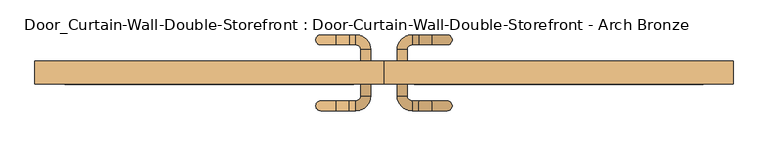
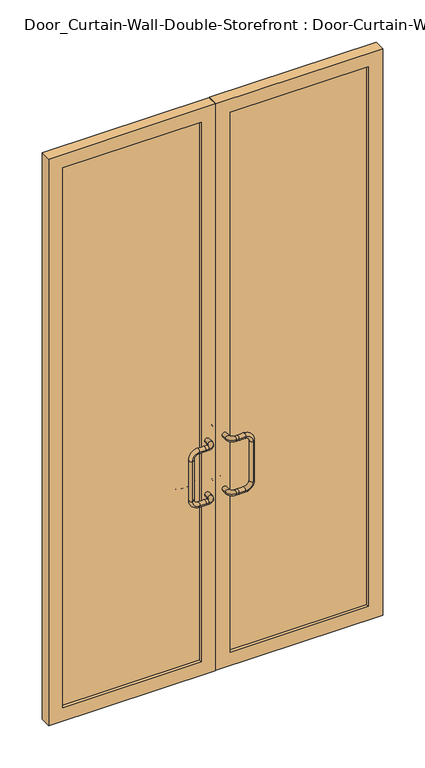
"""IFC4 building model written with IfcOpenShell, lengths in millimetres: door geometry, Door_Curtain-Wall-Double-Storefront : Door-Curtain-Wall-Double-Storefront - Arch Bronze."""

from ifc_helpers import new_model, si_unit, point, frame, origin, place, context, project, spatial, polyline, circle_curve, ellipse_curve, trimmed, outline, extrude, source, transform, mapped, element, save
from ifc_brep_helpers import plane_surface, cylinder_surface, revolved_surface, advanced_brep


def door_curtain_wall_double_storefront_door_curtain_wall_double_d53ad36a(model_context):
    return source(origin(), model_context, "Body", "SolidModel", [
        extrude(outline(polyline([(2406.65, 0.7668501), (0.0, 0.7668501), (0.0, 670.7187499), (2406.65, 670.7187499), (2406.65, 0.7668501)]), holes=[polyline([(2349.5, 57.9168501), (2349.5, 613.5687499), (57.15, 613.5687499), (57.15, 57.9168501), (2349.5, 57.9168501)])]), frame((0.0, 12.7, 0.0), z_axis=(0.0, 1.0, 0.0), x_axis=(0.0, 0.0, 1.0)), (0.0, 0.0, 1.0), 44.45),
        extrude(outline(polyline([(2406.65, -0.8206499), (2406.65, -670.7187499), (0.0, -670.7187499), (0.0, -0.8206499), (2406.65, -0.8206499)]), holes=[polyline([(2349.5, -613.5687499), (2349.5, -57.9706499), (57.15, -57.9706499), (57.15, -613.5687499), (2349.5, -613.5687499)])]), frame((0.0, 12.7, 0.0), z_axis=(0.0, 1.0, 0.0), x_axis=(0.0, 0.0, 1.0)), (0.0, 0.0, 1.0), 44.45),
        extrude(outline(polyline([(613.5687499, 25.4), (57.9168501, 25.4), (57.9168501, 44.45), (613.5687499, 44.45), (613.5687499, 25.4)])), frame((0.0, 0.0, 57.15), z_axis=(0.0, 0.0, 1.0), x_axis=(1.0, 0.0, 0.0)), (0.0, 0.0, 1.0), 2292.35),
        extrude(outline(polyline([(-57.9706499, 25.4), (-613.5687499, 25.4), (-613.5687499, 44.45), (-57.9706499, 44.45), (-57.9706499, 25.4)])), frame((0.0, 0.0, 57.15), z_axis=(0.0, 0.0, 1.0), x_axis=(1.0, 0.0, 0.0)), (0.0, 0.0, 1.0), 2292.35),
        advanced_brep(
        [(-25.4268999, 57.15, 762.0), (-44.4768999, 57.15, 762.0), (-44.4768999, 79.375, 762.0), (-25.4268999, 79.375, 762.0), (-54.0018999, 88.9, 762.0), (-54.0018999, 107.95, 762.0), (-66.7018999, 88.9, 762.0), (-66.7018999, 107.95, 762.0), (-66.7018999, 88.9, 990.6), (-92.1018999, 88.9, 990.6), (-92.1018999, 107.95, 990.6), (-66.7018999, 107.95, 990.6), (-121.4706499, 88.9, 961.23125), (-121.4706499, 107.95, 961.23125), (-121.4706499, 88.9, 791.36875), (-121.4706499, 107.95, 791.36875), (-92.1018999, 88.9, 762.0), (-92.1018999, 107.95, 762.0), (-25.4268999, 57.15, 990.6), (-44.4768999, 57.15, 990.6), (-44.4768999, 79.375, 990.6), (-25.4268999, 79.375, 990.6), (-54.0018999, 88.9, 990.6), (-54.0018999, 107.95, 990.6)],
        [
            (0, 1, circle_curve(frame((-34.9518999, 57.15, 762.0), z_axis=(0.0, -1.0, 0.0), x_axis=(-1.0, 0.0, 0.0)), 9.525)),
            (1, 0, circle_curve(frame((-34.9518999, 57.15, 762.0), z_axis=(0.0, -1.0, 0.0), x_axis=(-1.0, 0.0, 0.0)), 9.525)),
            (1, 2),
            (2, 3, circle_curve(frame((-34.9518999, 79.375, 762.0), z_axis=(0.0, -1.0, 0.0), x_axis=(-1.0, 0.0, 0.0)), 9.525)),
            (3, 0),
            (3, 2, circle_curve(frame((-34.9518999, 79.375, 762.0), z_axis=(0.0, -1.0, 0.0), x_axis=(-1.0, 0.0, 0.0)), 9.525)),
            (2, 4, circle_curve(frame((-54.0018999, 79.375, 762.0), z_axis=(0.0, 0.0, 1.0), x_axis=(1.0, 0.0, 0.0)), 9.525)),
            (4, 5, circle_curve(frame((-54.0018999, 98.425, 762.0), z_axis=(1.0, 0.0, 0.0), x_axis=(0.0, -1.0, 0.0)), 9.525)),
            (5, 3, circle_curve(frame((-54.0018999, 79.375, 762.0), z_axis=(0.0, 0.0, -1.0), x_axis=(1.0, 0.0, 0.0)), 28.575)),
            (5, 4, circle_curve(frame((-54.0018999, 98.425, 762.0), z_axis=(1.0, 0.0, 0.0), x_axis=(0.0, -1.0, 0.0)), 9.525)),
            (4, 6),
            (6, 7, circle_curve(frame((-66.7018999, 98.425, 762.0), z_axis=(1.0, 0.0, 0.0), x_axis=(0.0, -1.0, 0.0)), 9.525)),
            (7, 5),
            (7, 6, circle_curve(frame((-66.7018999, 98.425, 762.0), z_axis=(1.0, 0.0, 0.0), x_axis=(0.0, -1.0, 0.0)), 9.525)),
            (8, 9),
            (9, 10, circle_curve(frame((-92.1018999, 98.425, 990.6), z_axis=(1.0, 0.0, 0.0), x_axis=(0.0, 0.0, 1.0)), 9.525)),
            (10, 11),
            (11, 8, circle_curve(frame((-66.7018999, 98.425, 990.6), z_axis=(-1.0, 0.0, 0.0), x_axis=(0.0, 0.0, 1.0)), 9.525)),
            (8, 11, circle_curve(frame((-66.7018999, 98.425, 990.6), z_axis=(-1.0, 0.0, 0.0), x_axis=(0.0, 0.0, 1.0)), 9.525)),
            (10, 9, circle_curve(frame((-92.1018999, 98.425, 990.6), z_axis=(1.0, 0.0, 0.0), x_axis=(0.0, 0.0, 1.0)), 9.525)),
            (9, 12, circle_curve(frame((-92.1018999, 88.9, 961.23125), z_axis=(0.0, -1.0, 0.0), x_axis=(0.0, 0.0, 1.0)), 29.36875)),
            (12, 13, circle_curve(frame((-121.4706499, 98.425, 961.23125), z_axis=(0.0, 0.0, 1.0), x_axis=(-1.0, 0.0, 0.0)), 9.525)),
            (13, 10, circle_curve(frame((-92.1018999, 107.95, 961.23125), z_axis=(0.0, 1.0, 0.0), x_axis=(0.0, 0.0, 1.0)), 29.36875)),
            (13, 12, circle_curve(frame((-121.4706499, 98.425, 961.23125), z_axis=(0.0, 0.0, 1.0), x_axis=(-1.0, 0.0, 0.0)), 9.525)),
            (12, 14),
            (14, 15, circle_curve(frame((-121.4706499, 98.425, 791.36875), z_axis=(0.0, 0.0, 1.0), x_axis=(-1.0, 0.0, 0.0)), 9.525)),
            (15, 13),
            (15, 14, circle_curve(frame((-121.4706499, 98.425, 791.36875), z_axis=(0.0, 0.0, 1.0), x_axis=(-1.0, 0.0, 0.0)), 9.525)),
            (14, 16, circle_curve(frame((-92.1018999, 88.9, 791.36875), z_axis=(0.0, -1.0, 0.0), x_axis=(-1.0, 0.0, 0.0)), 29.36875)),
            (16, 17, circle_curve(frame((-92.1018999, 98.425, 762.0), z_axis=(-1.0, 0.0, 0.0), x_axis=(0.0, 0.0, -1.0)), 9.525)),
            (17, 15, circle_curve(frame((-92.1018999, 107.95, 791.36875), z_axis=(0.0, 1.0, 0.0), x_axis=(-1.0, 0.0, 0.0)), 29.36875)),
            (17, 16, circle_curve(frame((-92.1018999, 98.425, 762.0), z_axis=(-1.0, 0.0, 0.0), x_axis=(0.0, 0.0, -1.0)), 9.525)),
            (16, 6),
            (7, 17),
            (18, 19, circle_curve(frame((-34.9518999, 57.15, 990.6), z_axis=(0.0, -1.0, 0.0), x_axis=(-1.0, 0.0, 0.0)), 9.525)),
            (19, 18, circle_curve(frame((-34.9518999, 57.15, 990.6), z_axis=(0.0, -1.0, 0.0), x_axis=(-1.0, 0.0, 0.0)), 9.525)),
            (19, 20),
            (20, 21, circle_curve(frame((-34.9518999, 79.375, 990.6), z_axis=(0.0, -1.0, 0.0), x_axis=(-1.0, 0.0, 0.0)), 9.525)),
            (21, 18),
            (21, 20, circle_curve(frame((-34.9518999, 79.375, 990.6), z_axis=(0.0, -1.0, 0.0), x_axis=(-1.0, 0.0, 0.0)), 9.525)),
            (20, 22, circle_curve(frame((-54.0018999, 79.375, 990.6), z_axis=(0.0, 0.0, 1.0), x_axis=(1.0, 0.0, 0.0)), 9.525)),
            (22, 23, circle_curve(frame((-54.0018999, 98.425, 990.6), z_axis=(1.0, 0.0, 0.0), x_axis=(0.0, -1.0, 0.0)), 9.525)),
            (23, 21, circle_curve(frame((-54.0018999, 79.375, 990.6), z_axis=(0.0, 0.0, -1.0), x_axis=(1.0, 0.0, 0.0)), 28.575)),
            (23, 22, circle_curve(frame((-54.0018999, 98.425, 990.6), z_axis=(1.0, 0.0, 0.0), x_axis=(0.0, -1.0, 0.0)), 9.525)),
            (22, 8),
            (11, 23),
        ],
        [
            plane_surface(frame((-34.9518999, 57.15, 762.0), z_axis=(0.0, -1.0, 0.0), x_axis=(0.0, 0.0, 1.0))),
            cylinder_surface(frame((-34.9518999, 57.15, 762.0), z_axis=(0.0, -1.0, 0.0), x_axis=(-1.0, 0.0, 0.0)), 9.525),
            revolved_surface(trimmed(ellipse_curve(frame((-34.9518999, 79.375, 762.0), z_axis=(0.0, -1.0, 0.0), x_axis=(-1.0, 0.0, 0.0)), 9.525, 9.525), [point((-44.4768999, 79.375, 762.0))], [point((-25.4268999, 79.375, 762.0))], True, "CARTESIAN"), (-54.0018999, 79.375, 762.0), (0.0, 0.0, 1.0)),
            revolved_surface(trimmed(ellipse_curve(frame((-34.9518999, 79.375, 762.0), z_axis=(0.0, -1.0, 0.0), x_axis=(-1.0, 0.0, 0.0)), 9.525, 9.525), [point((-25.4268999, 79.375, 762.0))], [point((-44.4768999, 79.375, 762.0))], True, "CARTESIAN"), (-54.0018999, 79.375, 762.0), (0.0, 0.0, 1.0)),
            cylinder_surface(frame((-54.0018999, 98.425, 762.0), z_axis=(1.0, 0.0, 0.0), x_axis=(0.0, -1.0, 0.0)), 9.525),
            cylinder_surface(frame((-66.7018999, 98.425, 990.6), z_axis=(1.0, 0.0, 0.0), x_axis=(0.0, 0.0, 1.0)), 9.525),
            revolved_surface(trimmed(ellipse_curve(frame((-92.1018999, 98.425, 990.6), z_axis=(1.0, 0.0, 0.0), x_axis=(0.0, 0.0, 1.0)), 9.525, 9.525), [point((-92.1018999, 88.9, 990.6))], [point((-92.1018999, 107.95, 990.6))], True, "CARTESIAN"), (-92.1018999, 98.425, 961.23125), (0.0, -1.0, 0.0)),
            revolved_surface(trimmed(ellipse_curve(frame((-92.1018999, 98.425, 990.6), z_axis=(1.0, 0.0, 0.0), x_axis=(0.0, 0.0, 1.0)), 9.525, 9.525), [point((-92.1018999, 107.95, 990.6))], [point((-92.1018999, 88.9, 990.6))], True, "CARTESIAN"), (-92.1018999, 98.425, 961.23125), (0.0, -1.0, 0.0)),
            cylinder_surface(frame((-121.4706499, 98.425, 961.23125), z_axis=(0.0, 0.0, 1.0), x_axis=(-1.0, 0.0, 0.0)), 9.525),
            revolved_surface(trimmed(ellipse_curve(frame((-121.4706499, 98.425, 791.36875), z_axis=(0.0, 0.0, 1.0), x_axis=(-1.0, 0.0, 0.0)), 9.525, 9.525), [point((-121.4706499, 88.9, 791.36875))], [point((-121.4706499, 107.95, 791.36875))], True, "CARTESIAN"), (-92.1018999, 98.425, 791.36875), (0.0, -1.0, 0.0)),
            revolved_surface(trimmed(ellipse_curve(frame((-121.4706499, 98.425, 791.36875), z_axis=(0.0, 0.0, 1.0), x_axis=(-1.0, 0.0, 0.0)), 9.525, 9.525), [point((-121.4706499, 107.95, 791.36875))], [point((-121.4706499, 88.9, 791.36875))], True, "CARTESIAN"), (-92.1018999, 98.425, 791.36875), (0.0, -1.0, 0.0)),
            cylinder_surface(frame((-92.1018999, 98.425, 762.0), z_axis=(-1.0, 0.0, 0.0), x_axis=(0.0, 0.0, -1.0)), 9.525),
            plane_surface(frame((-34.9518999, 57.15, 990.6), z_axis=(0.0, -1.0, 0.0), x_axis=(0.0, 0.0, 1.0))),
            cylinder_surface(frame((-34.9518999, 57.15, 990.6), z_axis=(0.0, -1.0, 0.0), x_axis=(-1.0, 0.0, 0.0)), 9.525),
            revolved_surface(trimmed(ellipse_curve(frame((-34.9518999, 79.375, 990.6), z_axis=(0.0, -1.0, 0.0), x_axis=(-1.0, 0.0, 0.0)), 9.525, 9.525), [point((-44.4768999, 79.375, 990.6))], [point((-25.4268999, 79.375, 990.6))], True, "CARTESIAN"), (-54.0018999, 79.375, 990.6), (0.0, 0.0, 1.0)),
            revolved_surface(trimmed(ellipse_curve(frame((-34.9518999, 79.375, 990.6), z_axis=(0.0, -1.0, 0.0), x_axis=(-1.0, 0.0, 0.0)), 9.525, 9.525), [point((-25.4268999, 79.375, 990.6))], [point((-44.4768999, 79.375, 990.6))], True, "CARTESIAN"), (-54.0018999, 79.375, 990.6), (0.0, 0.0, 1.0)),
            cylinder_surface(frame((-54.0018999, 98.425, 990.6), z_axis=(1.0, 0.0, 0.0), x_axis=(0.0, -1.0, 0.0)), 9.525),
        ],
        [
            (0, [[1, 2]]),
            (1, [[-2, 3, 4, 5]]),
            (1, [[-1, -5, 6, -3]]),
            (2, [[-4, 7, 8, 9]]),
            (3, [[-6, -9, 10, -7]]),
            (4, [[-8, 11, 12, 13]]),
            (4, [[-10, -13, 14, -11]]),
            (5, [[15, 16, 17, 18]]),
            (5, [[-15, 19, -17, 20]]),
            (6, [[-16, 21, 22, 23]]),
            (7, [[-20, -23, 24, -21]]),
            (8, [[-22, 25, 26, 27]]),
            (8, [[-24, -27, 28, -25]]),
            (9, [[-26, 29, 30, 31]]),
            (10, [[-28, -31, 32, -29]]),
            (11, [[-30, 33, -14, 34]]),
            (11, [[-32, -34, -12, -33]]),
            (12, [[35, 36]]),
            (13, [[-36, 37, 38, 39]]),
            (13, [[-35, -39, 40, -37]]),
            (14, [[-38, 41, 42, 43]]),
            (15, [[-40, -43, 44, -41]]),
            (16, [[-42, 45, -18, 46]]),
            (16, [[-44, -46, -19, -45]]),
        ],
    ),
        advanced_brep(
        [(44.4231001, 57.15, 990.6), (25.3731001, 57.15, 990.6), (44.4231001, 79.375, 990.6), (25.3731001, 79.375, 990.6), (53.9481001, 88.9, 990.6), (53.9481001, 107.95, 990.6), (66.6481001, 88.9, 990.6), (66.6481001, 107.95, 990.6), (92.0481001, 107.95, 990.6), (92.0481001, 88.9, 990.6), (121.4168501, 107.95, 961.23125), (121.4168501, 88.9, 961.23125), (121.4168501, 107.95, 791.36875), (121.4168501, 88.9, 791.36875), (92.0481001, 107.95, 762.0), (92.0481001, 88.9, 762.0), (66.6481001, 107.95, 762.0), (66.6481001, 88.9, 762.0), (44.4231001, 57.15, 762.0), (25.3731001, 57.15, 762.0), (44.4231001, 79.375, 762.0), (25.3731001, 79.375, 762.0), (53.9481001, 88.9, 762.0), (53.9481001, 107.95, 762.0)],
        [
            (0, 1, circle_curve(frame((34.8981001, 57.15, 990.6), z_axis=(0.0, -1.0, 0.0), x_axis=(-1.0, 0.0, 0.0)), 9.525)),
            (1, 0, circle_curve(frame((34.8981001, 57.15, 990.6), z_axis=(0.0, -1.0, 0.0), x_axis=(-1.0, 0.0, 0.0)), 9.525)),
            (0, 2),
            (2, 3, circle_curve(frame((34.8981001, 79.375, 990.6), z_axis=(0.0, -1.0, 0.0), x_axis=(-1.0, 0.0, 0.0)), 9.525)),
            (3, 1),
            (3, 2, circle_curve(frame((34.8981001, 79.375, 990.6), z_axis=(0.0, -1.0, 0.0), x_axis=(-1.0, 0.0, 0.0)), 9.525)),
            (2, 4, circle_curve(frame((53.9481001, 79.375, 990.6), z_axis=(0.0, 0.0, -1.0), x_axis=(-1.0, 0.0, 0.0)), 9.525)),
            (4, 5, circle_curve(frame((53.9481001, 98.425, 990.6), z_axis=(-1.0, 0.0, 0.0), x_axis=(0.0, 1.0, 0.0)), 9.525)),
            (5, 3, circle_curve(frame((53.9481001, 79.375, 990.6), z_axis=(0.0, 0.0, 1.0), x_axis=(-1.0, 0.0, 0.0)), 28.575)),
            (5, 4, circle_curve(frame((53.9481001, 98.425, 990.6), z_axis=(-1.0, 0.0, 0.0), x_axis=(0.0, 1.0, 0.0)), 9.525)),
            (4, 6),
            (6, 7, circle_curve(frame((66.6481001, 98.425, 990.6), z_axis=(-1.0, 0.0, 0.0), x_axis=(0.0, 1.0, 0.0)), 9.525)),
            (7, 5),
            (7, 6, circle_curve(frame((66.6481001, 98.425, 990.6), z_axis=(-1.0, 0.0, 0.0), x_axis=(0.0, 1.0, 0.0)), 9.525)),
            (7, 8),
            (8, 9, circle_curve(frame((92.0481001, 98.425, 990.6), z_axis=(-1.0, 0.0, 0.0), x_axis=(0.0, 0.0, -1.0)), 9.525)),
            (9, 6),
            (9, 8, circle_curve(frame((92.0481001, 98.425, 990.6), z_axis=(-1.0, 0.0, 0.0), x_axis=(0.0, 0.0, -1.0)), 9.525)),
            (8, 10, circle_curve(frame((92.0481001, 107.95, 961.23125), z_axis=(0.0, 1.0, 0.0), x_axis=(0.0, 0.0, 1.0)), 29.36875)),
            (10, 11, circle_curve(frame((121.4168501, 98.425, 961.23125), z_axis=(0.0, 0.0, 1.0), x_axis=(-1.0, 0.0, 0.0)), 9.525)),
            (11, 9, circle_curve(frame((92.0481001, 88.9, 961.23125), z_axis=(0.0, -1.0, 0.0), x_axis=(0.0, 0.0, 1.0)), 29.36875)),
            (11, 10, circle_curve(frame((121.4168501, 98.425, 961.23125), z_axis=(0.0, 0.0, 1.0), x_axis=(-1.0, 0.0, 0.0)), 9.525)),
            (10, 12),
            (12, 13, circle_curve(frame((121.4168501, 98.425, 791.36875), z_axis=(0.0, 0.0, 1.0), x_axis=(-1.0, 0.0, 0.0)), 9.525)),
            (13, 11),
            (13, 12, circle_curve(frame((121.4168501, 98.425, 791.36875), z_axis=(0.0, 0.0, 1.0), x_axis=(-1.0, 0.0, 0.0)), 9.525)),
            (12, 14, circle_curve(frame((92.0481001, 107.95, 791.36875), z_axis=(0.0, 1.0, 0.0), x_axis=(1.0, 0.0, 0.0)), 29.36875)),
            (14, 15, circle_curve(frame((92.0481001, 98.425, 762.0), z_axis=(1.0, 0.0, 0.0), x_axis=(0.0, 0.0, 1.0)), 9.525)),
            (15, 13, circle_curve(frame((92.0481001, 88.9, 791.36875), z_axis=(0.0, -1.0, 0.0), x_axis=(1.0, 0.0, 0.0)), 29.36875)),
            (15, 14, circle_curve(frame((92.0481001, 98.425, 762.0), z_axis=(1.0, 0.0, 0.0), x_axis=(0.0, 0.0, 1.0)), 9.525)),
            (14, 16),
            (16, 17, circle_curve(frame((66.6481001, 98.425, 762.0), z_axis=(1.0, 0.0, 0.0), x_axis=(0.0, 0.0, 1.0)), 9.525)),
            (17, 15),
            (17, 16, circle_curve(frame((66.6481001, 98.425, 762.0), z_axis=(1.0, 0.0, 0.0), x_axis=(0.0, 0.0, 1.0)), 9.525)),
            (18, 19, circle_curve(frame((34.8981001, 57.15, 762.0), z_axis=(0.0, -1.0, 0.0), x_axis=(-1.0, 0.0, 0.0)), 9.525)),
            (19, 18, circle_curve(frame((34.8981001, 57.15, 762.0), z_axis=(0.0, -1.0, 0.0), x_axis=(-1.0, 0.0, 0.0)), 9.525)),
            (18, 20),
            (20, 21, circle_curve(frame((34.8981001, 79.375, 762.0), z_axis=(0.0, -1.0, 0.0), x_axis=(-1.0, 0.0, 0.0)), 9.525)),
            (21, 19),
            (21, 20, circle_curve(frame((34.8981001, 79.375, 762.0), z_axis=(0.0, -1.0, 0.0), x_axis=(-1.0, 0.0, 0.0)), 9.525)),
            (20, 22, circle_curve(frame((53.9481001, 79.375, 762.0), z_axis=(0.0, 0.0, -1.0), x_axis=(-1.0, 0.0, 0.0)), 9.525)),
            (22, 23, circle_curve(frame((53.9481001, 98.425, 762.0), z_axis=(-1.0, 0.0, 0.0), x_axis=(0.0, 1.0, 0.0)), 9.525)),
            (23, 21, circle_curve(frame((53.9481001, 79.375, 762.0), z_axis=(0.0, 0.0, 1.0), x_axis=(-1.0, 0.0, 0.0)), 28.575)),
            (23, 22, circle_curve(frame((53.9481001, 98.425, 762.0), z_axis=(-1.0, 0.0, 0.0), x_axis=(0.0, 1.0, 0.0)), 9.525)),
            (22, 17),
            (16, 23),
        ],
        [
            plane_surface(frame((34.8981001, 57.15, 990.6), z_axis=(0.0, -1.0, 0.0), x_axis=(0.0, 0.0, 1.0))),
            cylinder_surface(frame((34.8981001, 57.15, 990.6), z_axis=(0.0, -1.0, 0.0), x_axis=(-1.0, 0.0, 0.0)), 9.525),
            revolved_surface(trimmed(ellipse_curve(frame((34.8981001, 79.375, 990.6), z_axis=(0.0, -1.0, 0.0), x_axis=(-1.0, 0.0, 0.0)), 9.525, 9.525), [point((44.4231001, 79.375, 990.6))], [point((25.3731001, 79.375, 990.6))], True, "CARTESIAN"), (53.9481001, 79.375, 990.6), (0.0, 0.0, -1.0)),
            revolved_surface(trimmed(ellipse_curve(frame((34.8981001, 79.375, 990.6), z_axis=(0.0, -1.0, 0.0), x_axis=(-1.0, 0.0, 0.0)), 9.525, 9.525), [point((25.3731001, 79.375, 990.6))], [point((44.4231001, 79.375, 990.6))], True, "CARTESIAN"), (53.9481001, 79.375, 990.6), (0.0, 0.0, -1.0)),
            cylinder_surface(frame((53.9481001, 98.425, 990.6), z_axis=(-1.0, 0.0, 0.0), x_axis=(0.0, 1.0, 0.0)), 9.525),
            cylinder_surface(frame((66.6481001, 98.425, 990.6), z_axis=(-1.0, 0.0, 0.0), x_axis=(0.0, 0.0, -1.0)), 9.525),
            revolved_surface(trimmed(ellipse_curve(frame((92.0481001, 98.425, 990.6), z_axis=(-1.0, 0.0, 0.0), x_axis=(0.0, 0.0, -1.0)), 9.525, 9.525), [point((92.0481001, 107.95, 990.6))], [point((92.0481001, 88.9, 990.6))], True, "CARTESIAN"), (92.0481001, 98.425, 961.23125), (0.0, 1.0, 0.0)),
            revolved_surface(trimmed(ellipse_curve(frame((92.0481001, 98.425, 990.6), z_axis=(-1.0, 0.0, 0.0), x_axis=(0.0, 0.0, -1.0)), 9.525, 9.525), [point((92.0481001, 88.9, 990.6))], [point((92.0481001, 107.95, 990.6))], True, "CARTESIAN"), (92.0481001, 98.425, 961.23125), (0.0, 1.0, 0.0)),
            cylinder_surface(frame((121.4168501, 98.425, 961.23125), z_axis=(0.0, 0.0, 1.0), x_axis=(-1.0, 0.0, 0.0)), 9.525),
            revolved_surface(trimmed(ellipse_curve(frame((121.4168501, 98.425, 791.36875), z_axis=(0.0, 0.0, 1.0), x_axis=(-1.0, 0.0, 0.0)), 9.525, 9.525), [point((121.4168501, 107.95, 791.36875))], [point((121.4168501, 88.9, 791.36875))], True, "CARTESIAN"), (92.0481001, 98.425, 791.36875), (0.0, 1.0, 0.0)),
            revolved_surface(trimmed(ellipse_curve(frame((121.4168501, 98.425, 791.36875), z_axis=(0.0, 0.0, 1.0), x_axis=(-1.0, 0.0, 0.0)), 9.525, 9.525), [point((121.4168501, 88.9, 791.36875))], [point((121.4168501, 107.95, 791.36875))], True, "CARTESIAN"), (92.0481001, 98.425, 791.36875), (0.0, 1.0, 0.0)),
            cylinder_surface(frame((92.0481001, 98.425, 762.0), z_axis=(1.0, 0.0, 0.0), x_axis=(0.0, 0.0, 1.0)), 9.525),
            plane_surface(frame((34.8981001, 57.15, 762.0), z_axis=(0.0, -1.0, 0.0), x_axis=(0.0, 0.0, 1.0))),
            cylinder_surface(frame((34.8981001, 57.15, 762.0), z_axis=(0.0, -1.0, 0.0), x_axis=(-1.0, 0.0, 0.0)), 9.525),
            revolved_surface(trimmed(ellipse_curve(frame((34.8981001, 79.375, 762.0), z_axis=(0.0, -1.0, 0.0), x_axis=(-1.0, 0.0, 0.0)), 9.525, 9.525), [point((44.4231001, 79.375, 762.0))], [point((25.3731001, 79.375, 762.0))], True, "CARTESIAN"), (53.9481001, 79.375, 762.0), (0.0, 0.0, -1.0)),
            revolved_surface(trimmed(ellipse_curve(frame((34.8981001, 79.375, 762.0), z_axis=(0.0, -1.0, 0.0), x_axis=(-1.0, 0.0, 0.0)), 9.525, 9.525), [point((25.3731001, 79.375, 762.0))], [point((44.4231001, 79.375, 762.0))], True, "CARTESIAN"), (53.9481001, 79.375, 762.0), (0.0, 0.0, -1.0)),
            cylinder_surface(frame((53.9481001, 98.425, 762.0), z_axis=(-1.0, 0.0, 0.0), x_axis=(0.0, 1.0, 0.0)), 9.525),
        ],
        [
            (0, [[1, 2]]),
            (1, [[-1, 3, 4, 5]]),
            (1, [[-2, -5, 6, -3]]),
            (2, [[-4, 7, 8, 9]]),
            (3, [[-6, -9, 10, -7]]),
            (4, [[-8, 11, 12, 13]]),
            (4, [[-10, -13, 14, -11]]),
            (5, [[15, 16, 17, -14]]),
            (5, [[-15, -12, -17, 18]]),
            (6, [[-16, 19, 20, 21]]),
            (7, [[-18, -21, 22, -19]]),
            (8, [[-20, 23, 24, 25]]),
            (8, [[-22, -25, 26, -23]]),
            (9, [[-24, 27, 28, 29]]),
            (10, [[-26, -29, 30, -27]]),
            (11, [[-28, 31, 32, 33]]),
            (11, [[-30, -33, 34, -31]]),
            (12, [[35, 36]]),
            (13, [[-35, 37, 38, 39]]),
            (13, [[-36, -39, 40, -37]]),
            (14, [[-38, 41, 42, 43]]),
            (15, [[-40, -43, 44, -41]]),
            (16, [[-42, 45, -32, 46]]),
            (16, [[-44, -46, -34, -45]]),
        ],
    ),
        advanced_brep(
        [(66.6481001, -19.05, 990.6), (92.0481001, -19.05, 990.6), (92.0481001, -38.1, 990.6), (66.6481001, -38.1, 990.6), (121.4168501, -19.05, 961.23125), (121.4168501, -38.1, 961.23125), (121.4168501, -19.05, 791.36875), (121.4168501, -38.1, 791.36875), (92.0481001, -19.05, 762.0), (92.0481001, -38.1, 762.0), (66.6481001, -19.05, 762.0), (66.6481001, -38.1, 762.0), (25.3731001, 12.7, 990.6), (44.4231001, 12.7, 990.6), (44.4231001, -9.525, 990.6), (25.3731001, -9.525, 990.6), (53.9481001, -19.05, 990.6), (53.9481001, -38.1, 990.6), (25.3731001, 12.7, 762.0), (44.4231001, 12.7, 762.0), (44.4231001, -9.525, 762.0), (25.3731001, -9.525, 762.0), (53.9481001, -19.05, 762.0), (53.9481001, -38.1, 762.0)],
        [
            (0, 1),
            (1, 2, circle_curve(frame((92.0481001, -28.575, 990.6), z_axis=(-1.0, 0.0, 0.0), x_axis=(0.0, 0.0, 1.0)), 9.525)),
            (2, 3),
            (3, 0, circle_curve(frame((66.6481001, -28.575, 990.6), z_axis=(1.0, 0.0, 0.0), x_axis=(0.0, 0.0, 1.0)), 9.525)),
            (0, 3, circle_curve(frame((66.6481001, -28.575, 990.6), z_axis=(1.0, 0.0, 0.0), x_axis=(0.0, 0.0, 1.0)), 9.525)),
            (2, 1, circle_curve(frame((92.0481001, -28.575, 990.6), z_axis=(-1.0, 0.0, 0.0), x_axis=(0.0, 0.0, 1.0)), 9.525)),
            (1, 4, circle_curve(frame((92.0481001, -19.05, 961.23125), z_axis=(0.0, 1.0, 0.0), x_axis=(0.0, 0.0, 1.0)), 29.36875)),
            (4, 5, circle_curve(frame((121.4168501, -28.575, 961.23125), z_axis=(0.0, 0.0, 1.0), x_axis=(1.0, 0.0, 0.0)), 9.525)),
            (5, 2, circle_curve(frame((92.0481001, -38.1, 961.23125), z_axis=(0.0, -1.0, 0.0), x_axis=(0.0, 0.0, 1.0)), 29.36875)),
            (5, 4, circle_curve(frame((121.4168501, -28.575, 961.23125), z_axis=(0.0, 0.0, 1.0), x_axis=(1.0, 0.0, 0.0)), 9.525)),
            (4, 6),
            (6, 7, circle_curve(frame((121.4168501, -28.575, 791.36875), z_axis=(0.0, 0.0, 1.0), x_axis=(1.0, 0.0, 0.0)), 9.525)),
            (7, 5),
            (7, 6, circle_curve(frame((121.4168501, -28.575, 791.36875), z_axis=(0.0, 0.0, 1.0), x_axis=(1.0, 0.0, 0.0)), 9.525)),
            (6, 8, circle_curve(frame((92.0481001, -19.05, 791.36875), z_axis=(0.0, 1.0, 0.0), x_axis=(1.0, 0.0, 0.0)), 29.36875)),
            (8, 9, circle_curve(frame((92.0481001, -28.575, 762.0), z_axis=(1.0, 0.0, 0.0), x_axis=(0.0, 0.0, -1.0)), 9.525)),
            (9, 7, circle_curve(frame((92.0481001, -38.1, 791.36875), z_axis=(0.0, -1.0, 0.0), x_axis=(1.0, 0.0, 0.0)), 29.36875)),
            (9, 8, circle_curve(frame((92.0481001, -28.575, 762.0), z_axis=(1.0, 0.0, 0.0), x_axis=(0.0, 0.0, -1.0)), 9.525)),
            (8, 10),
            (10, 11, circle_curve(frame((66.6481001, -28.575, 762.0), z_axis=(1.0, 0.0, 0.0), x_axis=(0.0, 0.0, -1.0)), 9.525)),
            (11, 9),
            (11, 10, circle_curve(frame((66.6481001, -28.575, 762.0), z_axis=(1.0, 0.0, 0.0), x_axis=(0.0, 0.0, -1.0)), 9.525)),
            (12, 13, circle_curve(frame((34.8981001, 12.7, 990.6), z_axis=(0.0, 1.0, 0.0), x_axis=(1.0, 0.0, 0.0)), 9.525)),
            (13, 12, circle_curve(frame((34.8981001, 12.7, 990.6), z_axis=(0.0, 1.0, 0.0), x_axis=(1.0, 0.0, 0.0)), 9.525)),
            (13, 14),
            (14, 15, circle_curve(frame((34.8981001, -9.525, 990.6), z_axis=(0.0, 1.0, 0.0), x_axis=(1.0, 0.0, 0.0)), 9.525)),
            (15, 12),
            (15, 14, circle_curve(frame((34.8981001, -9.525, 990.6), z_axis=(0.0, 1.0, 0.0), x_axis=(1.0, 0.0, 0.0)), 9.525)),
            (14, 16, circle_curve(frame((53.9481001, -9.525, 990.6), z_axis=(0.0, 0.0, 1.0), x_axis=(-1.0, 0.0, 0.0)), 9.525)),
            (16, 17, circle_curve(frame((53.9481001, -28.575, 990.6), z_axis=(-1.0, 0.0, 0.0), x_axis=(0.0, 1.0, 0.0)), 9.525)),
            (17, 15, circle_curve(frame((53.9481001, -9.525, 990.6), z_axis=(0.0, 0.0, -1.0), x_axis=(-1.0, 0.0, 0.0)), 28.575)),
            (17, 16, circle_curve(frame((53.9481001, -28.575, 990.6), z_axis=(-1.0, 0.0, 0.0), x_axis=(0.0, 1.0, 0.0)), 9.525)),
            (16, 0),
            (3, 17),
            (18, 19, circle_curve(frame((34.8981001, 12.7, 762.0), z_axis=(0.0, 1.0, 0.0), x_axis=(1.0, 0.0, 0.0)), 9.525)),
            (19, 18, circle_curve(frame((34.8981001, 12.7, 762.0), z_axis=(0.0, 1.0, 0.0), x_axis=(1.0, 0.0, 0.0)), 9.525)),
            (19, 20),
            (20, 21, circle_curve(frame((34.8981001, -9.525, 762.0), z_axis=(0.0, 1.0, 0.0), x_axis=(1.0, 0.0, 0.0)), 9.525)),
            (21, 18),
            (21, 20, circle_curve(frame((34.8981001, -9.525, 762.0), z_axis=(0.0, 1.0, 0.0), x_axis=(1.0, 0.0, 0.0)), 9.525)),
            (20, 22, circle_curve(frame((53.9481001, -9.525, 762.0), z_axis=(0.0, 0.0, 1.0), x_axis=(-1.0, 0.0, 0.0)), 9.525)),
            (22, 23, circle_curve(frame((53.9481001, -28.575, 762.0), z_axis=(-1.0, 0.0, 0.0), x_axis=(0.0, 1.0, 0.0)), 9.525)),
            (23, 21, circle_curve(frame((53.9481001, -9.525, 762.0), z_axis=(0.0, 0.0, -1.0), x_axis=(-1.0, 0.0, 0.0)), 28.575)),
            (23, 22, circle_curve(frame((53.9481001, -28.575, 762.0), z_axis=(-1.0, 0.0, 0.0), x_axis=(0.0, 1.0, 0.0)), 9.525)),
            (22, 10),
            (11, 23),
        ],
        [
            cylinder_surface(frame((66.6481001, -28.575, 990.6), z_axis=(-1.0, 0.0, 0.0), x_axis=(0.0, 0.0, 1.0)), 9.525),
            revolved_surface(trimmed(ellipse_curve(frame((92.0481001, -28.575, 990.6), z_axis=(-1.0, 0.0, 0.0), x_axis=(0.0, 0.0, 1.0)), 9.525, 9.525), [point((92.0481001, -19.05, 990.6))], [point((92.0481001, -38.1, 990.6))], True, "CARTESIAN"), (92.0481001, -28.575, 961.23125), (0.0, 1.0, 0.0)),
            revolved_surface(trimmed(ellipse_curve(frame((92.0481001, -28.575, 990.6), z_axis=(-1.0, 0.0, 0.0), x_axis=(0.0, 0.0, 1.0)), 9.525, 9.525), [point((92.0481001, -38.1, 990.6))], [point((92.0481001, -19.05, 990.6))], True, "CARTESIAN"), (92.0481001, -28.575, 961.23125), (0.0, 1.0, 0.0)),
            cylinder_surface(frame((121.4168501, -28.575, 961.23125), z_axis=(0.0, 0.0, 1.0), x_axis=(1.0, 0.0, 0.0)), 9.525),
            revolved_surface(trimmed(ellipse_curve(frame((121.4168501, -28.575, 791.36875), z_axis=(0.0, 0.0, 1.0), x_axis=(1.0, 0.0, 0.0)), 9.525, 9.525), [point((121.4168501, -19.05, 791.36875))], [point((121.4168501, -38.1, 791.36875))], True, "CARTESIAN"), (92.0481001, -28.575, 791.36875), (0.0, 1.0, 0.0)),
            revolved_surface(trimmed(ellipse_curve(frame((121.4168501, -28.575, 791.36875), z_axis=(0.0, 0.0, 1.0), x_axis=(1.0, 0.0, 0.0)), 9.525, 9.525), [point((121.4168501, -38.1, 791.36875))], [point((121.4168501, -19.05, 791.36875))], True, "CARTESIAN"), (92.0481001, -28.575, 791.36875), (0.0, 1.0, 0.0)),
            cylinder_surface(frame((92.0481001, -28.575, 762.0), z_axis=(1.0, 0.0, 0.0), x_axis=(0.0, 0.0, -1.0)), 9.525),
            plane_surface(frame((34.8981001, 12.7, 990.6), z_axis=(0.0, 1.0, 0.0), x_axis=(0.0, 0.0, 1.0))),
            cylinder_surface(frame((34.8981001, 12.7, 990.6), z_axis=(0.0, 1.0, 0.0), x_axis=(1.0, 0.0, 0.0)), 9.525),
            revolved_surface(trimmed(ellipse_curve(frame((34.8981001, -9.525, 990.6), z_axis=(0.0, 1.0, 0.0), x_axis=(1.0, 0.0, 0.0)), 9.525, 9.525), [point((44.4231001, -9.525, 990.6))], [point((25.3731001, -9.525, 990.6))], True, "CARTESIAN"), (53.9481001, -9.525, 990.6), (0.0, 0.0, 1.0)),
            revolved_surface(trimmed(ellipse_curve(frame((34.8981001, -9.525, 990.6), z_axis=(0.0, 1.0, 0.0), x_axis=(1.0, 0.0, 0.0)), 9.525, 9.525), [point((25.3731001, -9.525, 990.6))], [point((44.4231001, -9.525, 990.6))], True, "CARTESIAN"), (53.9481001, -9.525, 990.6), (0.0, 0.0, 1.0)),
            cylinder_surface(frame((53.9481001, -28.575, 990.6), z_axis=(-1.0, 0.0, 0.0), x_axis=(0.0, 1.0, 0.0)), 9.525),
            plane_surface(frame((34.8981001, 12.7, 762.0), z_axis=(0.0, 1.0, 0.0), x_axis=(0.0, 0.0, 1.0))),
            cylinder_surface(frame((34.8981001, 12.7, 762.0), z_axis=(0.0, 1.0, 0.0), x_axis=(1.0, 0.0, 0.0)), 9.525),
            revolved_surface(trimmed(ellipse_curve(frame((34.8981001, -9.525, 762.0), z_axis=(0.0, 1.0, 0.0), x_axis=(1.0, 0.0, 0.0)), 9.525, 9.525), [point((44.4231001, -9.525, 762.0))], [point((25.3731001, -9.525, 762.0))], True, "CARTESIAN"), (53.9481001, -9.525, 762.0), (0.0, 0.0, 1.0)),
            revolved_surface(trimmed(ellipse_curve(frame((34.8981001, -9.525, 762.0), z_axis=(0.0, 1.0, 0.0), x_axis=(1.0, 0.0, 0.0)), 9.525, 9.525), [point((25.3731001, -9.525, 762.0))], [point((44.4231001, -9.525, 762.0))], True, "CARTESIAN"), (53.9481001, -9.525, 762.0), (0.0, 0.0, 1.0)),
            cylinder_surface(frame((53.9481001, -28.575, 762.0), z_axis=(-1.0, 0.0, 0.0), x_axis=(0.0, 1.0, 0.0)), 9.525),
        ],
        [
            (0, [[1, 2, 3, 4]]),
            (0, [[-1, 5, -3, 6]]),
            (1, [[-2, 7, 8, 9]]),
            (2, [[-6, -9, 10, -7]]),
            (3, [[-8, 11, 12, 13]]),
            (3, [[-10, -13, 14, -11]]),
            (4, [[-12, 15, 16, 17]]),
            (5, [[-14, -17, 18, -15]]),
            (6, [[-16, 19, 20, 21]]),
            (6, [[-18, -21, 22, -19]]),
            (7, [[23, 24]]),
            (8, [[-24, 25, 26, 27]]),
            (8, [[-23, -27, 28, -25]]),
            (9, [[-26, 29, 30, 31]]),
            (10, [[-28, -31, 32, -29]]),
            (11, [[-30, 33, -4, 34]]),
            (11, [[-32, -34, -5, -33]]),
            (12, [[35, 36]]),
            (13, [[-36, 37, 38, 39]]),
            (13, [[-35, -39, 40, -37]]),
            (14, [[-38, 41, 42, 43]]),
            (15, [[-40, -43, 44, -41]]),
            (16, [[-42, 45, -22, 46]]),
            (16, [[-44, -46, -20, -45]]),
        ],
    ),
        advanced_brep(
        [(-44.4768999, 12.7, 990.6), (-25.4268999, 12.7, 990.6), (-44.4768999, -9.525, 990.6), (-25.4268999, -9.525, 990.6), (-54.0018999, -19.05, 990.6), (-54.0018999, -38.1, 990.6), (-66.7018999, -19.05, 990.6), (-66.7018999, -38.1, 990.6), (-92.1018999, -38.1, 990.6), (-92.1018999, -19.05, 990.6), (-121.4706499, -38.1, 961.23125), (-121.4706499, -19.05, 961.23125), (-121.4706499, -38.1, 791.36875), (-121.4706499, -19.05, 791.36875), (-92.1018999, -38.1, 762.0), (-92.1018999, -19.05, 762.0), (-66.7018999, -38.1, 762.0), (-66.7018999, -19.05, 762.0), (-44.4768999, 12.7, 762.0), (-25.4268999, 12.7, 762.0), (-44.4768999, -9.525, 762.0), (-25.4268999, -9.525, 762.0), (-54.0018999, -19.05, 762.0), (-54.0018999, -38.1, 762.0)],
        [
            (0, 1, circle_curve(frame((-34.9518999, 12.7, 990.6), z_axis=(0.0, 1.0, 0.0), x_axis=(1.0, 0.0, 0.0)), 9.525)),
            (1, 0, circle_curve(frame((-34.9518999, 12.7, 990.6), z_axis=(0.0, 1.0, 0.0), x_axis=(1.0, 0.0, 0.0)), 9.525)),
            (0, 2),
            (2, 3, circle_curve(frame((-34.9518999, -9.525, 990.6), z_axis=(0.0, 1.0, 0.0), x_axis=(1.0, 0.0, 0.0)), 9.525)),
            (3, 1),
            (3, 2, circle_curve(frame((-34.9518999, -9.525, 990.6), z_axis=(0.0, 1.0, 0.0), x_axis=(1.0, 0.0, 0.0)), 9.525)),
            (2, 4, circle_curve(frame((-54.0018999, -9.525, 990.6), z_axis=(0.0, 0.0, -1.0), x_axis=(1.0, 0.0, 0.0)), 9.525)),
            (4, 5, circle_curve(frame((-54.0018999, -28.575, 990.6), z_axis=(1.0, 0.0, 0.0), x_axis=(0.0, -1.0, 0.0)), 9.525)),
            (5, 3, circle_curve(frame((-54.0018999, -9.525, 990.6), z_axis=(0.0, 0.0, 1.0), x_axis=(1.0, 0.0, 0.0)), 28.575)),
            (5, 4, circle_curve(frame((-54.0018999, -28.575, 990.6), z_axis=(1.0, 0.0, 0.0), x_axis=(0.0, -1.0, 0.0)), 9.525)),
            (4, 6),
            (6, 7, circle_curve(frame((-66.7018999, -28.575, 990.6), z_axis=(1.0, 0.0, 0.0), x_axis=(0.0, -1.0, 0.0)), 9.525)),
            (7, 5),
            (7, 6, circle_curve(frame((-66.7018999, -28.575, 990.6), z_axis=(1.0, 0.0, 0.0), x_axis=(0.0, -1.0, 0.0)), 9.525)),
            (7, 8),
            (8, 9, circle_curve(frame((-92.1018999, -28.575, 990.6), z_axis=(1.0, 0.0, 0.0), x_axis=(0.0, 0.0, -1.0)), 9.525)),
            (9, 6),
            (9, 8, circle_curve(frame((-92.1018999, -28.575, 990.6), z_axis=(1.0, 0.0, 0.0), x_axis=(0.0, 0.0, -1.0)), 9.525)),
            (8, 10, circle_curve(frame((-92.1018999, -38.1, 961.23125), z_axis=(0.0, -1.0, 0.0), x_axis=(0.0, 0.0, 1.0)), 29.36875)),
            (10, 11, circle_curve(frame((-121.4706499, -28.575, 961.23125), z_axis=(0.0, 0.0, 1.0), x_axis=(1.0, 0.0, 0.0)), 9.525)),
            (11, 9, circle_curve(frame((-92.1018999, -19.05, 961.23125), z_axis=(0.0, 1.0, 0.0), x_axis=(0.0, 0.0, 1.0)), 29.36875)),
            (11, 10, circle_curve(frame((-121.4706499, -28.575, 961.23125), z_axis=(0.0, 0.0, 1.0), x_axis=(1.0, 0.0, 0.0)), 9.525)),
            (10, 12),
            (12, 13, circle_curve(frame((-121.4706499, -28.575, 791.36875), z_axis=(0.0, 0.0, 1.0), x_axis=(1.0, 0.0, 0.0)), 9.525)),
            (13, 11),
            (13, 12, circle_curve(frame((-121.4706499, -28.575, 791.36875), z_axis=(0.0, 0.0, 1.0), x_axis=(1.0, 0.0, 0.0)), 9.525)),
            (12, 14, circle_curve(frame((-92.1018999, -38.1, 791.36875), z_axis=(0.0, -1.0, 0.0), x_axis=(-1.0, 0.0, 0.0)), 29.36875)),
            (14, 15, circle_curve(frame((-92.1018999, -28.575, 762.0), z_axis=(-1.0, 0.0, 0.0), x_axis=(0.0, 0.0, 1.0)), 9.525)),
            (15, 13, circle_curve(frame((-92.1018999, -19.05, 791.36875), z_axis=(0.0, 1.0, 0.0), x_axis=(-1.0, 0.0, 0.0)), 29.36875)),
            (15, 14, circle_curve(frame((-92.1018999, -28.575, 762.0), z_axis=(-1.0, 0.0, 0.0), x_axis=(0.0, 0.0, 1.0)), 9.525)),
            (14, 16),
            (16, 17, circle_curve(frame((-66.7018999, -28.575, 762.0), z_axis=(-1.0, 0.0, 0.0), x_axis=(0.0, 0.0, 1.0)), 9.525)),
            (17, 15),
            (17, 16, circle_curve(frame((-66.7018999, -28.575, 762.0), z_axis=(-1.0, 0.0, 0.0), x_axis=(0.0, 0.0, 1.0)), 9.525)),
            (18, 19, circle_curve(frame((-34.9518999, 12.7, 762.0), z_axis=(0.0, 1.0, 0.0), x_axis=(1.0, 0.0, 0.0)), 9.525)),
            (19, 18, circle_curve(frame((-34.9518999, 12.7, 762.0), z_axis=(0.0, 1.0, 0.0), x_axis=(1.0, 0.0, 0.0)), 9.525)),
            (18, 20),
            (20, 21, circle_curve(frame((-34.9518999, -9.525, 762.0), z_axis=(0.0, 1.0, 0.0), x_axis=(1.0, 0.0, 0.0)), 9.525)),
            (21, 19),
            (21, 20, circle_curve(frame((-34.9518999, -9.525, 762.0), z_axis=(0.0, 1.0, 0.0), x_axis=(1.0, 0.0, 0.0)), 9.525)),
            (20, 22, circle_curve(frame((-54.0018999, -9.525, 762.0), z_axis=(0.0, 0.0, -1.0), x_axis=(1.0, 0.0, 0.0)), 9.525)),
            (22, 23, circle_curve(frame((-54.0018999, -28.575, 762.0), z_axis=(1.0, 0.0, 0.0), x_axis=(0.0, -1.0, 0.0)), 9.525)),
            (23, 21, circle_curve(frame((-54.0018999, -9.525, 762.0), z_axis=(0.0, 0.0, 1.0), x_axis=(1.0, 0.0, 0.0)), 28.575)),
            (23, 22, circle_curve(frame((-54.0018999, -28.575, 762.0), z_axis=(1.0, 0.0, 0.0), x_axis=(0.0, -1.0, 0.0)), 9.525)),
            (22, 17),
            (16, 23),
        ],
        [
            plane_surface(frame((-34.9518999, 12.7, 990.6), z_axis=(0.0, 1.0, 0.0), x_axis=(0.0, 0.0, 1.0))),
            cylinder_surface(frame((-34.9518999, 12.7, 990.6), z_axis=(0.0, 1.0, 0.0), x_axis=(1.0, 0.0, 0.0)), 9.525),
            revolved_surface(trimmed(ellipse_curve(frame((-34.9518999, -9.525, 990.6), z_axis=(0.0, 1.0, 0.0), x_axis=(1.0, 0.0, 0.0)), 9.525, 9.525), [point((-44.4768999, -9.525, 990.6))], [point((-25.4268999, -9.525, 990.6))], True, "CARTESIAN"), (-54.0018999, -9.525, 990.6), (0.0, 0.0, -1.0)),
            revolved_surface(trimmed(ellipse_curve(frame((-34.9518999, -9.525, 990.6), z_axis=(0.0, 1.0, 0.0), x_axis=(1.0, 0.0, 0.0)), 9.525, 9.525), [point((-25.4268999, -9.525, 990.6))], [point((-44.4768999, -9.525, 990.6))], True, "CARTESIAN"), (-54.0018999, -9.525, 990.6), (0.0, 0.0, -1.0)),
            cylinder_surface(frame((-54.0018999, -28.575, 990.6), z_axis=(1.0, 0.0, 0.0), x_axis=(0.0, -1.0, 0.0)), 9.525),
            cylinder_surface(frame((-66.7018999, -28.575, 990.6), z_axis=(1.0, 0.0, 0.0), x_axis=(0.0, 0.0, -1.0)), 9.525),
            revolved_surface(trimmed(ellipse_curve(frame((-92.1018999, -28.575, 990.6), z_axis=(1.0, 0.0, 0.0), x_axis=(0.0, 0.0, -1.0)), 9.525, 9.525), [point((-92.1018999, -38.1, 990.6))], [point((-92.1018999, -19.05, 990.6))], True, "CARTESIAN"), (-92.1018999, -28.575, 961.23125), (0.0, -1.0, 0.0)),
            revolved_surface(trimmed(ellipse_curve(frame((-92.1018999, -28.575, 990.6), z_axis=(1.0, 0.0, 0.0), x_axis=(0.0, 0.0, -1.0)), 9.525, 9.525), [point((-92.1018999, -19.05, 990.6))], [point((-92.1018999, -38.1, 990.6))], True, "CARTESIAN"), (-92.1018999, -28.575, 961.23125), (0.0, -1.0, 0.0)),
            cylinder_surface(frame((-121.4706499, -28.575, 961.23125), z_axis=(0.0, 0.0, 1.0), x_axis=(1.0, 0.0, 0.0)), 9.525),
            revolved_surface(trimmed(ellipse_curve(frame((-121.4706499, -28.575, 791.36875), z_axis=(0.0, 0.0, 1.0), x_axis=(1.0, 0.0, 0.0)), 9.525, 9.525), [point((-121.4706499, -38.1, 791.36875))], [point((-121.4706499, -19.05, 791.36875))], True, "CARTESIAN"), (-92.1018999, -28.575, 791.36875), (0.0, -1.0, 0.0)),
            revolved_surface(trimmed(ellipse_curve(frame((-121.4706499, -28.575, 791.36875), z_axis=(0.0, 0.0, 1.0), x_axis=(1.0, 0.0, 0.0)), 9.525, 9.525), [point((-121.4706499, -19.05, 791.36875))], [point((-121.4706499, -38.1, 791.36875))], True, "CARTESIAN"), (-92.1018999, -28.575, 791.36875), (0.0, -1.0, 0.0)),
            cylinder_surface(frame((-92.1018999, -28.575, 762.0), z_axis=(-1.0, 0.0, 0.0), x_axis=(0.0, 0.0, 1.0)), 9.525),
            plane_surface(frame((-34.9518999, 12.7, 762.0), z_axis=(0.0, 1.0, 0.0), x_axis=(0.0, 0.0, 1.0))),
            cylinder_surface(frame((-34.9518999, 12.7, 762.0), z_axis=(0.0, 1.0, 0.0), x_axis=(1.0, 0.0, 0.0)), 9.525),
            revolved_surface(trimmed(ellipse_curve(frame((-34.9518999, -9.525, 762.0), z_axis=(0.0, 1.0, 0.0), x_axis=(1.0, 0.0, 0.0)), 9.525, 9.525), [point((-44.4768999, -9.525, 762.0))], [point((-25.4268999, -9.525, 762.0))], True, "CARTESIAN"), (-54.0018999, -9.525, 762.0), (0.0, 0.0, -1.0)),
            revolved_surface(trimmed(ellipse_curve(frame((-34.9518999, -9.525, 762.0), z_axis=(0.0, 1.0, 0.0), x_axis=(1.0, 0.0, 0.0)), 9.525, 9.525), [point((-25.4268999, -9.525, 762.0))], [point((-44.4768999, -9.525, 762.0))], True, "CARTESIAN"), (-54.0018999, -9.525, 762.0), (0.0, 0.0, -1.0)),
            cylinder_surface(frame((-54.0018999, -28.575, 762.0), z_axis=(1.0, 0.0, 0.0), x_axis=(0.0, -1.0, 0.0)), 9.525),
        ],
        [
            (0, [[1, 2]]),
            (1, [[-1, 3, 4, 5]]),
            (1, [[-2, -5, 6, -3]]),
            (2, [[-4, 7, 8, 9]]),
            (3, [[-6, -9, 10, -7]]),
            (4, [[-8, 11, 12, 13]]),
            (4, [[-10, -13, 14, -11]]),
            (5, [[15, 16, 17, -14]]),
            (5, [[-15, -12, -17, 18]]),
            (6, [[-16, 19, 20, 21]]),
            (7, [[-18, -21, 22, -19]]),
            (8, [[-20, 23, 24, 25]]),
            (8, [[-22, -25, 26, -23]]),
            (9, [[-24, 27, 28, 29]]),
            (10, [[-26, -29, 30, -27]]),
            (11, [[-28, 31, 32, 33]]),
            (11, [[-30, -33, 34, -31]]),
            (12, [[35, 36]]),
            (13, [[-35, 37, 38, 39]]),
            (13, [[-36, -39, 40, -37]]),
            (14, [[-38, 41, 42, 43]]),
            (15, [[-40, -43, 44, -41]]),
            (16, [[-42, 45, -32, 46]]),
            (16, [[-44, -46, -34, -45]]),
        ],
    ),
    ])


if __name__ == "__main__":
    model = new_model("IFC4")
    model_context = context("Model", 3, world=origin())
    ifc_project = project(units=[si_unit("LENGTHUNIT", "METRE", prefix="MILLI")], contexts=[model_context])
    site = spatial("IfcSite", under=ifc_project)
    building = spatial("IfcBuilding", under=site)
    placement = place(None, origin())
    door_curtain_wall_double_storefront_door_curtain_wall_double_shape = door_curtain_wall_double_storefront_door_curtain_wall_double_d53ad36a(model_context)
    element("IfcDoor", 1, ObjectType="Door_Curtain-Wall-Double-Storefront : Door-Curtain-Wall-Double-Storefront - Arch Bronze", at=placement, inside=building, context=model_context, shape_type="MappedRepresentation", body=[
        mapped(door_curtain_wall_double_storefront_door_curtain_wall_double_shape, transform((0.0, 0.0, 0.0), x_axis=(1.0, 0.0, 0.0), y_axis=(0.0, 1.0, 0.0), z_axis=(0.0, 0.0, 1.0))),
    ])
    save(model, "model.ifc")
